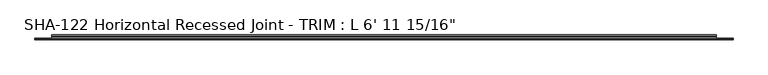
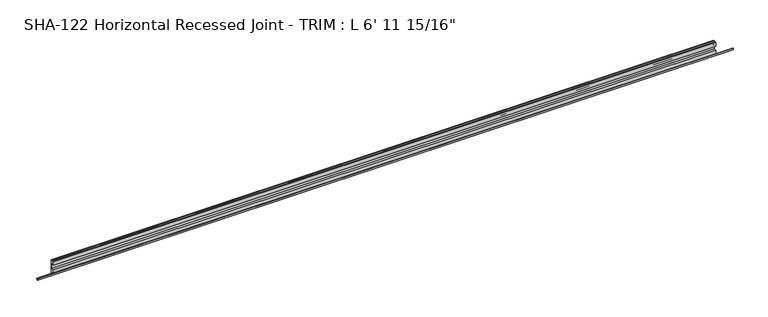
"""IFC4 building model written with IfcOpenShell, lengths in millimetres: proxy geometry."""

from ifc_helpers import new_model, si_unit, frame, origin, place, context, project, spatial, polyline, circle_curve, source, transform, mapped, element, save
from ifc_brep_helpers import plane_surface, cylinder_surface, revolved_surface, advanced_brep


def proxy_2135173b(model_context):
    return source(origin(), model_context, "Body", "AdvancedBrep", [
        advanced_brep(
        [(2132.0125, 0.0, -19.1207066), (2132.0125, 1.5823405, -17.5459247), (2132.0125, 4.7954405, -17.5459247), (2132.0125, 4.7954405, -15.9711244), (2132.0125, 1.5823405, -15.9711244), (2132.0125, 0.0, -14.3963424), (0.0, 0.0, -19.1207066), (0.0, 0.0, -14.3963424), (0.0, 1.5823405, -15.9711244), (0.0, 4.7954405, -15.9711244), (0.0, 4.7954405, -17.5459247), (0.0, 1.5823405, -17.5459247), (50.8, 4.7954405, -17.5459247), (2081.2125, 4.7954405, -17.5459247), (50.8, 4.7954405, -19.1207247), (2081.2125, 4.7954405, -19.1207247), (50.8, 7.0360651, -19.1207247), (2081.2125, 7.0360651, -19.1207247), (50.8, 8.9318758, -8.0491906), (2081.2125, 8.9318758, -8.0491906), (50.8, 11.140714, -8.0491906), (2081.2125, 11.140714, -8.0491906), (50.8, 11.140714, -23.8832244), (2081.2125, 11.140714, -23.8832244), (50.8, 14.3182128, -23.8832244), (2081.2125, 14.3182128, -23.8832244), (50.8, 14.3182128, 20.9651512), (2081.2125, 14.3182128, 20.9651512), (50.8, 11.140714, 20.9651512), (2081.2125, 11.140714, 20.9651512), (50.8, 11.140714, 9.9305256), (2081.2125, 11.140714, 9.9305256), (50.8, 8.9255559, 9.9305256), (2081.2125, 8.9255559, 9.9305256), (50.8, 7.1145821, 20.5066126), (2081.2125, 7.1145821, 20.5066126), (50.8, 4.7932128, 20.4405288), (2081.2125, 4.7932128, 20.4405288), (50.8, 4.7932128, 8.3557256), (2081.2125, 4.7932128, 8.3557256), (50.8, 11.4734128, 8.3557256), (2081.2125, 11.4734128, 8.3557256), (50.8, 12.7434128, 7.0857256), (2081.2125, 12.7434128, 7.0857256), (50.8, 12.7434128, -5.7857244), (2081.2125, 12.7434128, -5.7857244), (50.8, 4.7954405, -5.7857244), (2081.2125, 4.7954405, -5.7857244), (50.8, 4.7954405, -15.9711244), (2081.2125, 4.7954405, -15.9711244)],
        [
            (0, 1, circle_curve(frame((2132.0125, 0.0075405, -17.5459247), z_axis=(1.0, 0.0, 0.0), x_axis=(0.0, -1.0, 0.0)), 1.5748)),
            (1, 2),
            (2, 3),
            (3, 4),
            (4, 5, circle_curve(frame((2132.0125, 0.0075405, -15.9711244), z_axis=(1.0, 0.0, 0.0), x_axis=(0.0, -1.0, 0.0)), 1.5748)),
            (5, 0),
            (6, 7),
            (7, 8, circle_curve(frame((0.0, 0.0075405, -15.9711244), z_axis=(-1.0, 0.0, 0.0), x_axis=(0.0, -1.0, 0.0)), 1.5748)),
            (8, 9),
            (9, 10),
            (10, 11),
            (11, 6, circle_curve(frame((0.0, 0.0075405, -17.5459247), z_axis=(-1.0, 0.0, 0.0), x_axis=(0.0, -1.0, 0.0)), 1.5748)),
            (0, 6),
            (11, 1),
            (10, 12),
            (12, 13),
            (13, 2),
            (12, 14),
            (14, 15),
            (15, 13),
            (14, 16),
            (16, 17),
            (17, 15),
            (16, 18),
            (18, 19),
            (19, 17),
            (18, 20),
            (20, 21),
            (21, 19),
            (20, 22),
            (22, 23),
            (23, 21),
            (22, 24),
            (24, 25),
            (25, 23),
            (24, 26),
            (26, 27),
            (27, 25),
            (26, 28),
            (28, 29),
            (29, 27),
            (28, 30),
            (30, 31),
            (31, 29),
            (30, 32),
            (32, 33),
            (33, 31),
            (32, 34),
            (34, 35),
            (35, 33),
            (34, 36, circle_curve(frame((50.8, 5.9859085, 19.3490984), z_axis=(1.0, 0.0, 0.0), x_axis=(0.0, -1.0, 0.0)), 1.6167075)),
            (36, 37),
            (37, 35, circle_curve(frame((2081.2125, 5.9859085, 19.3490984), z_axis=(-1.0, 0.0, 0.0), x_axis=(0.0, -1.0, 0.0)), 1.6167075)),
            (36, 38),
            (38, 39),
            (39, 37),
            (38, 40),
            (40, 41),
            (41, 39),
            (40, 42, circle_curve(frame((50.8, 11.4734128, 7.0857256), z_axis=(-1.0, 0.0, 0.0), x_axis=(0.0, -1.0, 0.0)), 1.27)),
            (42, 43),
            (43, 41, circle_curve(frame((2081.2125, 11.4734128, 7.0857256), z_axis=(1.0, 0.0, 0.0), x_axis=(0.0, -1.0, 0.0)), 1.27)),
            (42, 44),
            (44, 45),
            (45, 43),
            (44, 46),
            (46, 47),
            (47, 45),
            (46, 48),
            (48, 49),
            (49, 47),
            (3, 49),
            (48, 9),
            (8, 4),
            (7, 5),
            (13, 49),
            (48, 12),
        ],
        [
            plane_surface(frame((2132.0125, -1.5672595, -17.5459247), z_axis=(1.0, 0.0, 0.0), x_axis=(0.0, 0.0, -1.0))),
            plane_surface(frame((0.0, -1.5672595, -17.5459247), z_axis=(-1.0, 0.0, 0.0), x_axis=(0.0, 0.0, 1.0))),
            cylinder_surface(frame((0.0, 0.0075405, -17.5459247), z_axis=(1.0, 0.0, 0.0), x_axis=(0.0, -1.0, 0.0)), 1.5748),
            plane_surface(frame((2132.0125, 1.5823405, -17.5459247), z_axis=(0.0, 0.0, -1.0), x_axis=(-1.0, 0.0, 0.0))),
            plane_surface(frame((2132.0125, 4.7954405, -17.5459247), z_axis=(0.0, -1.0, 0.0), x_axis=(-1.0, 0.0, 0.0))),
            plane_surface(frame((2132.0125, 4.7954405, -19.1207247), z_axis=(0.0, 0.0, -1.0), x_axis=(-1.0, 0.0, 0.0))),
            plane_surface(frame((2132.0125, 7.0360651, -19.1207247), z_axis=(0.0, 0.9856543593992835, -0.1687764314031673), x_axis=(-1.0, 0.0, 0.0))),
            plane_surface(frame((2132.0125, 8.9318758, -8.0491906), z_axis=(0.0, 0.0, -1.0), x_axis=(-1.0, 0.0, 0.0))),
            plane_surface(frame((2132.0125, 11.140714, -8.0491906), z_axis=(0.0, -1.0, 0.0), x_axis=(-1.0, 0.0, 0.0))),
            plane_surface(frame((2132.0125, 11.140714, -23.8832244), z_axis=(0.0, 0.0, -1.0), x_axis=(-1.0, 0.0, 0.0))),
            plane_surface(frame((2132.0125, 14.3182128, -23.8832244), z_axis=(0.0, 1.0, 0.0), x_axis=(-1.0, 0.0, 0.0))),
            plane_surface(frame((2132.0125, 14.3182128, 20.9651512), z_axis=(0.0, 0.0, 1.0), x_axis=(-1.0, 0.0, 0.0))),
            plane_surface(frame((2132.0125, 11.140714, 20.9651512), z_axis=(0.0, -1.0, 0.0), x_axis=(-1.0, 0.0, 0.0))),
            plane_surface(frame((2132.0125, 11.140714, 9.9305256), z_axis=(0.0, 0.0, 1.0), x_axis=(-1.0, 0.0, 0.0))),
            plane_surface(frame((2132.0125, 8.9255559, 9.9305256), z_axis=(0.0, 0.9856543593994346, 0.1687764314022852), x_axis=(-1.0, 0.0, 0.0))),
            cylinder_surface(frame((0.0, 5.9859085, 19.3490984), z_axis=(1.0, 0.0, 0.0), x_axis=(0.0, -1.0, 0.0)), 1.6167075),
            plane_surface(frame((2132.0125, 4.7932128, 20.4405288), z_axis=(0.0, -1.0, 0.0), x_axis=(-1.0, 0.0, 0.0))),
            plane_surface(frame((2132.0125, 4.7932128, 8.3557256), z_axis=(0.0, 0.0, -1.0), x_axis=(-1.0, 0.0, 0.0))),
            revolved_surface(polyline([(50.8, 10.2034128, 7.0857256), (2081.2125, 10.2034128, 7.0857256)]), (0.0, 11.4734128, 7.0857256), (-1.0, 0.0, 0.0)),
            plane_surface(frame((2132.0125, 12.7434128, 7.0857256), z_axis=(0.0, -1.0, 0.0), x_axis=(-1.0, 0.0, 0.0))),
            plane_surface(frame((2132.0125, 12.7434128, -5.7857244), z_axis=(0.0, 0.0, 1.0), x_axis=(-1.0, 0.0, 0.0))),
            plane_surface(frame((2132.0125, 4.7954405, -5.7857244), z_axis=(0.0, -1.0, -2.2724964055172864e-12), x_axis=(-1.0, 0.0, 0.0))),
            plane_surface(frame((2132.0125, 4.7954405, -15.9711244), z_axis=(0.0, 0.0, 1.0), x_axis=(-1.0, 0.0, 0.0))),
            cylinder_surface(frame((0.0, 0.0075405, -15.9711244), z_axis=(1.0, 0.0, 0.0), x_axis=(0.0, -1.0, 0.0)), 1.5748),
            plane_surface(frame((2132.0125, 0.0, -14.3963424), z_axis=(0.0, -1.0, 0.0), x_axis=(-1.0, 0.0, 0.0))),
            plane_surface(frame((2081.2125, 4.7954405, 21.1970814), z_axis=(0.0, 1.0, 0.0), x_axis=(0.0, 0.0, -1.0))),
            plane_surface(frame((2081.2125, 4.7954405, 21.1970814), z_axis=(1.0, 0.0, 0.0), x_axis=(0.0, 1.0, 0.0))),
            plane_surface(frame((50.8, 4.7954405, -23.8832244), z_axis=(-1.0, 0.0, 0.0), x_axis=(0.0, 1.0, 0.0))),
        ],
        [
            (0, [[1, 2, 3, 4, 5, 6]]),
            (1, [[7, 8, 9, 10, 11, 12]]),
            (2, [[-1, 13, -12, 14]]),
            (3, [[-2, -14, -11, 15, 16, 17]]),
            (4, [[-16, 18, 19, 20]]),
            (5, [[-19, 21, 22, 23]]),
            (6, [[-22, 24, 25, 26]]),
            (7, [[-25, 27, 28, 29]]),
            (8, [[-28, 30, 31, 32]]),
            (9, [[-31, 33, 34, 35]]),
            (10, [[-34, 36, 37, 38]]),
            (11, [[-37, 39, 40, 41]]),
            (12, [[-40, 42, 43, 44]]),
            (13, [[-43, 45, 46, 47]]),
            (14, [[-46, 48, 49, 50]]),
            (15, [[-49, 51, 52, 53]]),
            (16, [[-52, 54, 55, 56]]),
            (17, [[-55, 57, 58, 59]]),
            (18, [[-58, 60, 61, 62]]),
            (19, [[-61, 63, 64, 65]]),
            (20, [[-64, 66, 67, 68]]),
            (21, [[-67, 69, 70, 71]]),
            (22, [[-4, 72, -70, 73, -9, 74]]),
            (23, [[-5, -74, -8, 75]]),
            (24, [[-6, -75, -7, -13]]),
            (25, [[76, -72, -3, -17]]),
            (25, [[77, -15, -10, -73]]),
            (26, [[-76, -20, -23, -26, -29, -32, -35, -38, -41, -44, -47, -50, -53, -56, -59, -62, -65, -68, -71]]),
            (27, [[-77, -69, -66, -63, -60, -57, -54, -51, -48, -45, -42, -39, -36, -33, -30, -27, -24, -21, -18]]),
        ],
    ),
    ])


if __name__ == "__main__":
    model = new_model("IFC4")
    model_context = context("Model", 3, world=origin())
    ifc_project = project(units=[si_unit("LENGTHUNIT", "METRE", prefix="MILLI")], contexts=[model_context])
    site = spatial("IfcSite", under=ifc_project)
    building = spatial("IfcBuilding", under=site)
    placement = place(None, origin())
    proxy_shape = proxy_2135173b(model_context)
    element("IfcBuildingElementProxy", 1, Name="SHA-122 Horizontal Recessed Joint - TRIM : L 6' 11 15/16\"", ObjectType="SHA-122 Horizontal Recessed Joint - TRIM : L 6' 11 15/16\"", at=placement, inside=building, context=model_context, shape_type="MappedRepresentation", body=[
        mapped(proxy_shape, transform((0.0, 0.0, 0.0), x_axis=(1.0, 0.0, 0.0), y_axis=(0.0, 1.0, 0.0), z_axis=(0.0, 0.0, 1.0))),
    ])
    save(model, "model.ifc")
